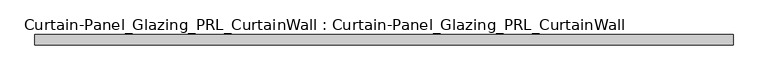
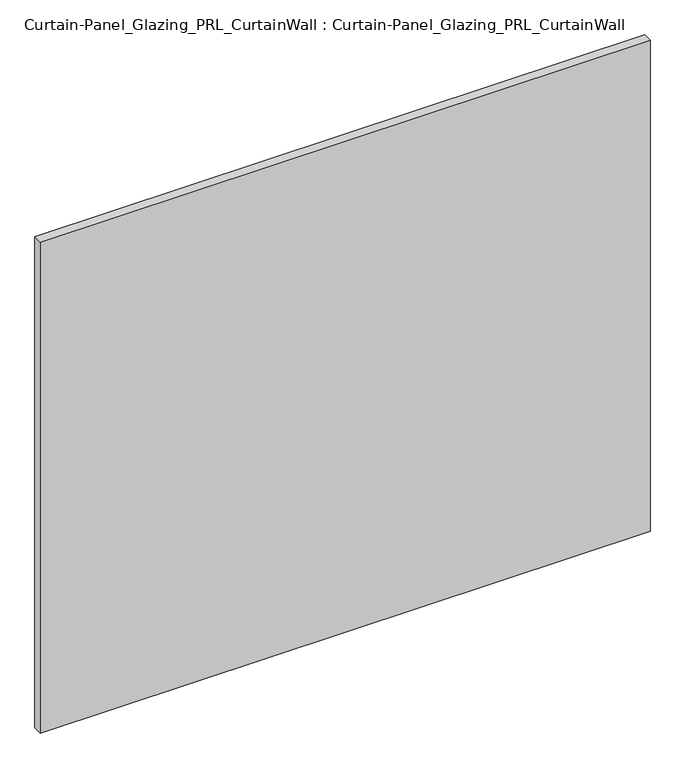
"""IFC4 building model written with IfcOpenShell, lengths in millimetres: plate geometry, Curtain-Panel_Glazing_PRL_CurtainWall : Curtain-Panel_Glazing_PRL_CurtainWall."""

from ifc_helpers import new_model, si_unit, origin, origin_with_axes, place, context, project, spatial, polyline, outline, extrude, source, transform, mapped, element, save


def curtain_panel_glazing_prl_curtainwall_curtain_panel_glazing_06efaa84(model_context):
    return source(origin(), model_context, "Body", "SweptSolid", [
        extrude(outline(polyline([(858.8375, 12.7), (858.8375, -12.7), (-858.8375, -12.7), (-858.8375, 12.7), (858.8375, 12.7)])), origin_with_axes(), (0.0, 0.0, 1.0), 1462.0875),
    ])


if __name__ == "__main__":
    model = new_model("IFC4")
    model_context = context("Model", 3, world=origin())
    ifc_project = project(units=[si_unit("LENGTHUNIT", "METRE", prefix="MILLI")], contexts=[model_context])
    site = spatial("IfcSite", under=ifc_project)
    building = spatial("IfcBuilding", under=site)
    placement = place(None, origin())
    curtain_panel_glazing_prl_curtainwall_curtain_panel_glazing_shape = curtain_panel_glazing_prl_curtainwall_curtain_panel_glazing_06efaa84(model_context)
    element("IfcPlate", 1, ObjectType="Curtain-Panel_Glazing_PRL_CurtainWall : Curtain-Panel_Glazing_PRL_CurtainWall", at=placement, inside=building, context=model_context, shape_type="MappedRepresentation", body=[
        mapped(curtain_panel_glazing_prl_curtainwall_curtain_panel_glazing_shape, transform((0.0, 0.0, 0.0), x_axis=(1.0, 0.0, 0.0), y_axis=(0.0, 1.0, 0.0), z_axis=(0.0, 0.0, 1.0))),
    ])
    save(model, "model.ifc")
